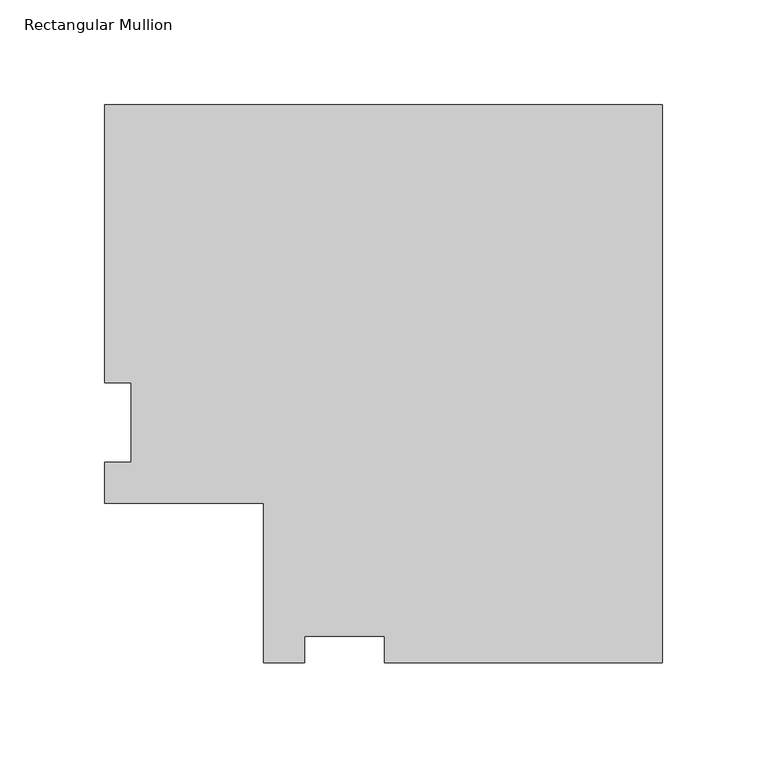
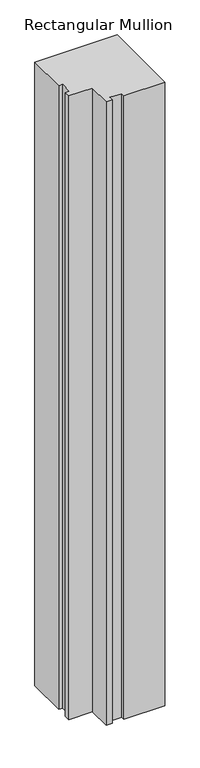
"""IFC4 building model written with IfcOpenShell, lengths in millimetres: member geometry, Rectangular Mullion."""

from ifc_helpers import new_model, si_unit, frame, origin, place, context, project, spatial, polyline, outline, extrude, source, transform, mapped, element, save


def rectangular_mullion_b36ef5ef(model_context):
    return source(origin(), model_context, "Body", "SweptSolid", [
        extrude(outline(polyline([(0.0, 190.0936), (0.0, -76.6826), (-132.9436, -76.6826), (-132.9436, -63.9826), (-171.0436, -63.9826), (-171.0436, -76.6826), (-190.5762, -76.6826), (-190.5762, -0.4826), (-266.7762, -0.4826), (-266.7762, 19.05), (-254.0762, 19.05), (-254.0762, 57.15), (-266.7762, 57.15), (-266.7762, 190.0936), (0.0, 190.0936)])), frame((0.0, 0.0, -2133.6), z_axis=(0.0, 0.0, 1.0), x_axis=(1.0, 0.0, 0.0)), (0.0, 0.0, 1.0), 2133.6),
    ])


if __name__ == "__main__":
    model = new_model("IFC4")
    model_context = context("Model", 3, world=origin())
    ifc_project = project(units=[si_unit("LENGTHUNIT", "METRE", prefix="MILLI")], contexts=[model_context])
    site = spatial("IfcSite", under=ifc_project)
    building = spatial("IfcBuilding", under=site)
    placement = place(None, origin())
    rectangular_mullion_shape = rectangular_mullion_b36ef5ef(model_context)
    element("IfcMember", 1, ObjectType="Rectangular Mullion", at=placement, inside=building, context=model_context, shape_type="MappedRepresentation", body=[
        mapped(rectangular_mullion_shape, transform((0.0, 0.0, 0.0), x_axis=(1.0, 0.0, 0.0), y_axis=(0.0, 1.0, 0.0), z_axis=(0.0, 0.0, 1.0))),
    ])
    save(model, "model.ifc")
